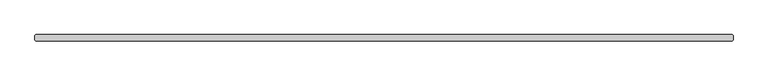
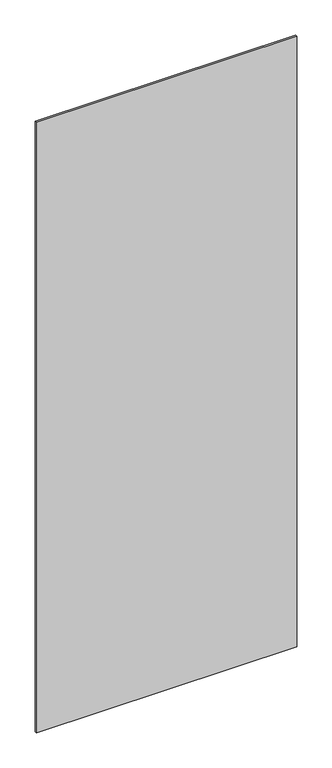
"""IFC4 building model written with IfcOpenShell, lengths in millimetres: plate geometry."""

from ifc_helpers import new_model, si_unit, origin, origin_with_axes, place, context, project, spatial, polyline, outline, extrude, source, transform, mapped, element, save


def plate_fb3cd187(model_context):
    return source(origin(), model_context, "Body", "SweptSolid", [
        extrude(outline(polyline([(520.8175622, -34.925), (-520.8175622, -34.925), (-522.4050622, -33.3375), (-522.4050622, -26.9875), (-520.8175622, -25.4), (520.8175622, -25.4), (522.4050622, -26.9875), (522.4050622, -33.3375), (520.8175622, -34.925)])), origin_with_axes(), (0.0, 0.0, 1.0), 2586.0375),
    ])


if __name__ == "__main__":
    model = new_model("IFC4")
    model_context = context("Model", 3, world=origin())
    ifc_project = project(units=[si_unit("LENGTHUNIT", "METRE", prefix="MILLI")], contexts=[model_context])
    site = spatial("IfcSite", under=ifc_project)
    building = spatial("IfcBuilding", under=site)
    placement = place(None, origin())
    plate_shape = plate_fb3cd187(model_context)
    element("IfcPlate", 1, at=placement, inside=building, context=model_context, shape_type="MappedRepresentation", body=[
        mapped(plate_shape, transform((0.0, 0.0, 0.0), x_axis=(1.0, 0.0, 0.0), y_axis=(0.0, 1.0, 0.0), z_axis=(0.0, 0.0, 1.0))),
    ])
    save(model, "model.ifc")
